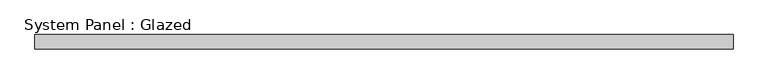
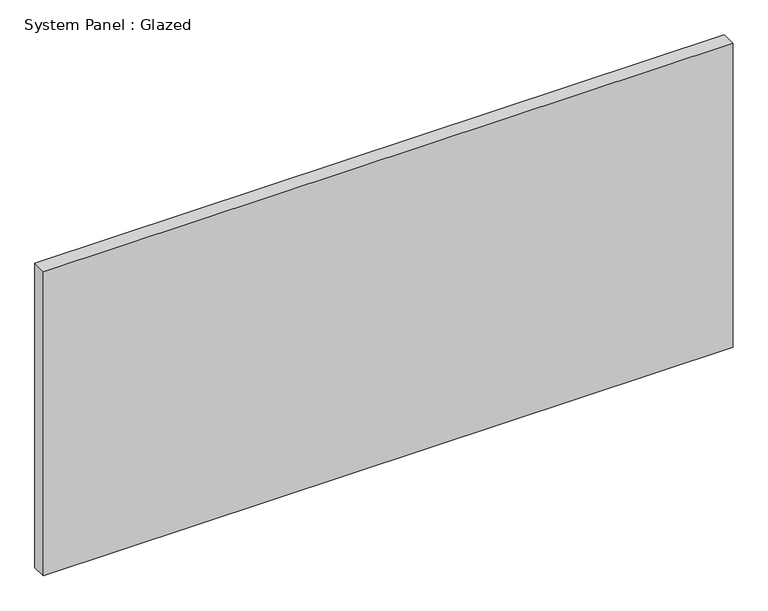
"""IFC4 building model written with IfcOpenShell, lengths in millimetres: plate geometry, System Panel : Glazed."""

from ifc_helpers import new_model, si_unit, origin, origin_with_axes, place, context, project, spatial, polyline, outline, extrude, source, transform, mapped, element, save


def system_panel_glazed_d40c60ca(model_context):
    return source(origin(), model_context, "Body", "SweptSolid", [
        extrude(outline(polyline([(612.7750001, 19.05), (-612.7750001, 19.05), (-612.7750001, 44.45), (612.7750001, 44.45), (612.7750001, 19.05)])), origin_with_axes(), (0.0, 0.0, 1.0), 571.5),
    ])


if __name__ == "__main__":
    model = new_model("IFC4")
    model_context = context("Model", 3, world=origin())
    ifc_project = project(units=[si_unit("LENGTHUNIT", "METRE", prefix="MILLI")], contexts=[model_context])
    site = spatial("IfcSite", under=ifc_project)
    building = spatial("IfcBuilding", under=site)
    placement = place(None, origin())
    system_panel_glazed_shape = system_panel_glazed_d40c60ca(model_context)
    element("IfcPlate", 1, ObjectType="System Panel : Glazed", at=placement, inside=building, context=model_context, shape_type="MappedRepresentation", body=[
        mapped(system_panel_glazed_shape, transform((0.0, 0.0, 0.0), x_axis=(1.0, 0.0, 0.0), y_axis=(0.0, 1.0, 0.0), z_axis=(0.0, 0.0, 1.0))),
    ])
    save(model, "model.ifc")
